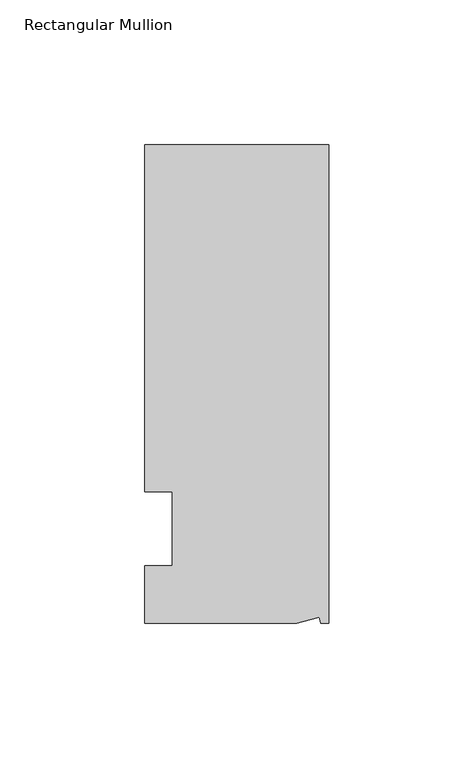
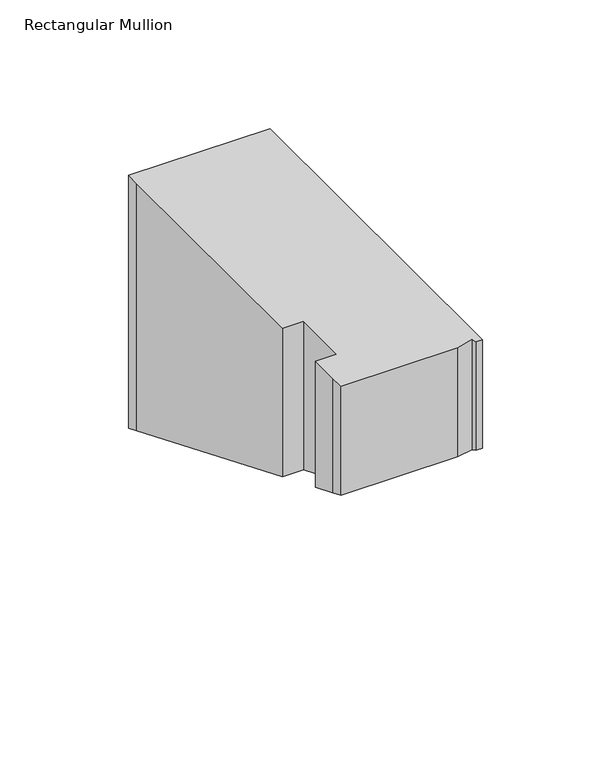
"""IFC4 building model written with IfcOpenShell, lengths in millimetres: member geometry, Rectangular Mullion."""

from ifc_helpers import new_model, si_unit, origin, place, context, project, spatial, faceted_brep, source, transform, mapped, element, save


def rectangular_mullion_002ccddf(model_context):
    return source(origin(), model_context, "Body", "Brep", [
        faceted_brep([(0.0, 132.5561012, 0.0), (-63.5, 132.5561012, 0.0), (-63.5, 126.2061012, 0.0), (-63.5, 12.8488281, 0.0), (-53.975, 12.8488281, 0.0), (-53.975, -12.7, 0.0), (-63.5, -12.7, 0.0), (-63.5, -26.1938988, 0.0), (-63.5076469, -32.5438988, 0.0), (-11.1125, -32.5438988, 0.0), (-3.3223696, -30.4565397, 0.0), (-2.7630634, -32.5438988, 0.0), (0.0, -32.5438988, 0.0), (0.0, -32.5438988, -51.6073757), (0.0, 132.5561012, -119.9940349), (-63.5, 132.5561012, -119.9940349), (-63.5, 126.2061012, -117.3637788), (-63.5, 12.8488281, -70.4096589), (-53.975, 12.8488281, -70.4096589), (-53.975, -12.7, -59.8269878), (-63.5, -12.7, -59.8269878), (-63.5, -26.1938988, -54.2376319), (-63.5076469, -32.5438988, -51.6073757), (-11.1125, -32.5438988, -51.6073757), (-3.3223696, -30.4565397, -52.4719882), (-2.7630634, -32.5438988, -51.6073757)], [[[0, 1, 2, 3, 4, 5, 6, 7, 8, 9, 10, 11, 12]], [[0, 12, 13, 14]], [[1, 0, 14, 15]], [[3, 2, 16, 17]], [[4, 3, 17, 18]], [[5, 4, 18, 19]], [[6, 5, 19, 20]], [[7, 6, 20, 21]], [[9, 8, 22, 23]], [[10, 9, 23, 24]], [[11, 10, 24, 25]], [[12, 11, 25, 13]], [[14, 13, 25, 24, 23, 22, 21, 20, 19, 18, 17, 16, 15]], [[2, 1, 15, 16]], [[8, 7, 21, 22]]]),
    ])


if __name__ == "__main__":
    model = new_model("IFC4")
    model_context = context("Model", 3, world=origin())
    ifc_project = project(units=[si_unit("LENGTHUNIT", "METRE", prefix="MILLI")], contexts=[model_context])
    site = spatial("IfcSite", under=ifc_project)
    building = spatial("IfcBuilding", under=site)
    placement = place(None, origin())
    rectangular_mullion_shape = rectangular_mullion_002ccddf(model_context)
    element("IfcMember", 1, ObjectType="Rectangular Mullion", at=placement, inside=building, context=model_context, shape_type="MappedRepresentation", body=[
        mapped(rectangular_mullion_shape, transform((0.0, 0.0, 0.0), x_axis=(1.0, 0.0, 0.0), y_axis=(0.0, 1.0, 0.0), z_axis=(0.0, 0.0, 1.0))),
    ])
    save(model, "model.ifc")
